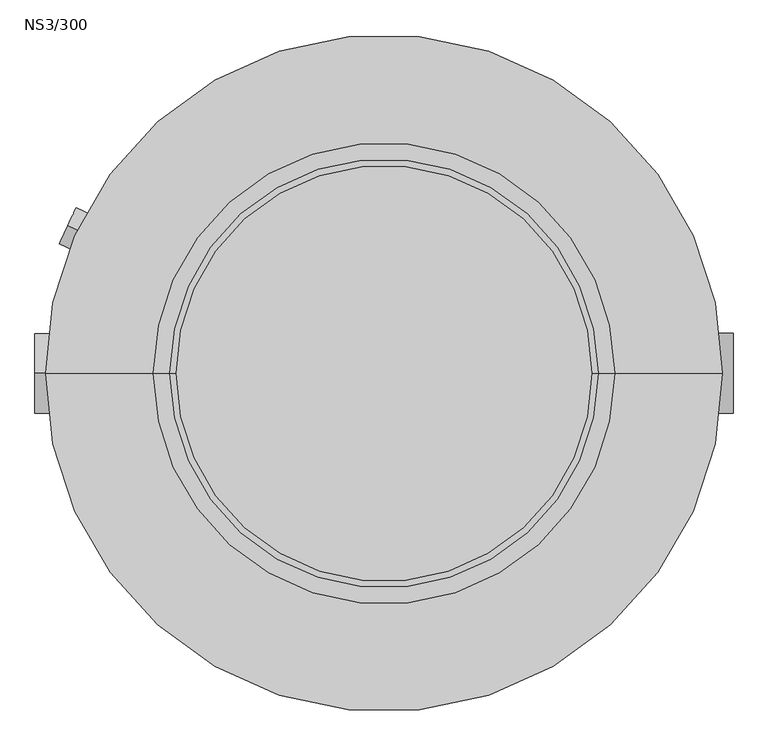
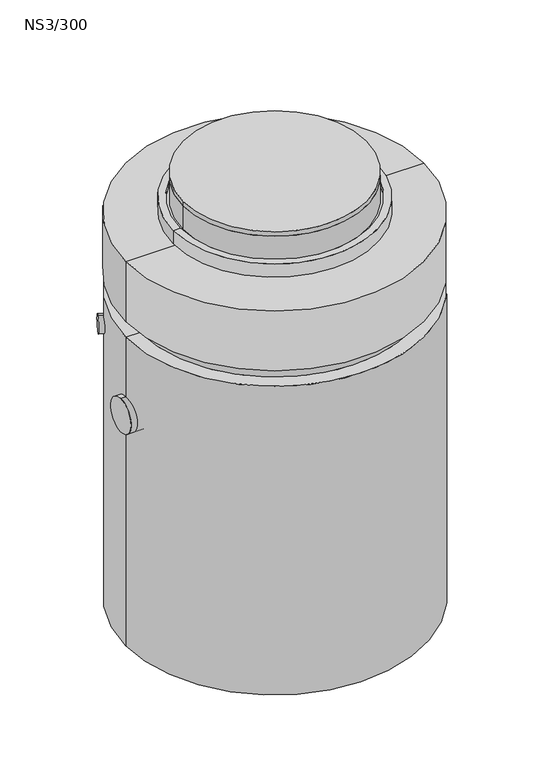
"""IFC4 building model written with IfcOpenShell, lengths in millimetres: proxy geometry, NS3/300."""

from ifc_helpers import new_model, si_unit, point, frame, frame_2d, origin, origin_2d, place, context, project, spatial, polyline, circle_curve, ellipse_curve, trimmed, segment, composite_curve, outline, extrude, source, transform, mapped, element, save
from ifc_brep_helpers import plane_surface, cylinder_surface, revolved_surface, advanced_brep


def ns3_300_38c39fd3(model_context):
    return source(origin(), model_context, "Body", "SolidModel", [
        advanced_brep(
        [(402.5, 0.0, -175.0), (-402.5, 0.0, -175.0), (-432.5, 0.0, -175.0), (432.5, 0.0, -175.0), (402.5, 0.0, -195.0), (-402.5, 0.0, -195.0), (312.5, 0.0, -195.0), (-312.5, 0.0, -195.0), (312.5, 0.0, -135.0), (-312.5, 0.0, -135.0), (402.5, 0.0, -135.0), (-402.5, 0.0, -135.0), (402.5, 0.0, -115.0), (-402.5, 0.0, -115.0), (432.5, 0.0, -115.0), (-432.5, 0.0, -115.0)],
        [
            (0, 1, circle_curve(frame((0.0, 0.0, -175.0), z_axis=(0.0, 0.0, 1.0), x_axis=(-1.0, 0.0, 0.0)), 402.5)),
            (1, 2),
            (2, 3, circle_curve(frame((0.0, 0.0, -175.0), z_axis=(0.0, 0.0, -1.0), x_axis=(-1.0, 0.0, 0.0)), 432.5)),
            (3, 0),
            (1, 0, circle_curve(frame((0.0, 0.0, -175.0), z_axis=(0.0, 0.0, 1.0), x_axis=(-1.0, 0.0, 0.0)), 402.5)),
            (3, 2, circle_curve(frame((0.0, 0.0, -175.0), z_axis=(0.0, 0.0, -1.0), x_axis=(-1.0, 0.0, 0.0)), 432.5)),
            (4, 5, circle_curve(frame((0.0, 0.0, -195.0), z_axis=(0.0, 0.0, 1.0), x_axis=(-1.0, 0.0, 0.0)), 402.5)),
            (5, 1),
            (0, 4),
            (5, 4, circle_curve(frame((0.0, 0.0, -195.0), z_axis=(0.0, 0.0, 1.0), x_axis=(-1.0, 0.0, 0.0)), 402.5)),
            (6, 7, circle_curve(frame((0.0, 0.0, -195.0), z_axis=(0.0, 0.0, 1.0), x_axis=(-1.0, 0.0, 0.0)), 312.5)),
            (7, 5),
            (4, 6),
            (7, 6, circle_curve(frame((0.0, 0.0, -195.0), z_axis=(0.0, 0.0, 1.0), x_axis=(-1.0, 0.0, 0.0)), 312.5)),
            (8, 9, circle_curve(frame((0.0, 0.0, -135.0), z_axis=(0.0, 0.0, 1.0), x_axis=(-1.0, 0.0, 0.0)), 312.5)),
            (9, 7),
            (6, 8),
            (9, 8, circle_curve(frame((0.0, 0.0, -135.0), z_axis=(0.0, 0.0, 1.0), x_axis=(-1.0, 0.0, 0.0)), 312.5)),
            (10, 11, circle_curve(frame((0.0, 0.0, -135.0), z_axis=(0.0, 0.0, 1.0), x_axis=(-1.0, 0.0, 0.0)), 402.5)),
            (11, 9),
            (8, 10),
            (11, 10, circle_curve(frame((0.0, 0.0, -135.0), z_axis=(0.0, 0.0, 1.0), x_axis=(-1.0, 0.0, 0.0)), 402.5)),
            (12, 13, circle_curve(frame((0.0, 0.0, -115.0), z_axis=(0.0, 0.0, 1.0), x_axis=(-1.0, 0.0, 0.0)), 402.5)),
            (13, 11),
            (10, 12),
            (13, 12, circle_curve(frame((0.0, 0.0, -115.0), z_axis=(0.0, 0.0, 1.0), x_axis=(-1.0, 0.0, 0.0)), 402.5)),
            (14, 15, circle_curve(frame((0.0, 0.0, -115.0), z_axis=(0.0, 0.0, 1.0), x_axis=(-1.0, 0.0, 0.0)), 432.5)),
            (15, 13),
            (12, 14),
            (15, 14, circle_curve(frame((0.0, 0.0, -115.0), z_axis=(0.0, 0.0, 1.0), x_axis=(-1.0, 0.0, 0.0)), 432.5)),
            (2, 15),
            (14, 3),
        ],
        [
            plane_surface(frame((0.0, 0.0, -175.0), z_axis=(0.0, 0.0, -1.0), x_axis=(-1.0, 0.0, 0.0))),
            cylinder_surface(frame((0.0, 0.0, -115.0), z_axis=(0.0, 0.0, -1.0), x_axis=(-1.0, 0.0, 0.0)), 402.5),
            plane_surface(frame((0.0, 0.0, -195.0), z_axis=(0.0, 0.0, -1.0), x_axis=(-1.0, 0.0, 0.0))),
            revolved_surface(polyline([(-312.5, 0.0, -195.0), (-312.5, 0.0, -135.0)]), (0.0, 0.0, -115.0), (0.0, 0.0, -1.0)),
            plane_surface(frame((0.0, 0.0, -135.0), z_axis=(0.0, 0.0, 1.0), x_axis=(-1.0, 0.0, 0.0))),
            revolved_surface(polyline([(-402.5, 0.0, -135.0), (-402.5, 0.0, -115.0)]), (0.0, 0.0, -115.0), (0.0, 0.0, -1.0)),
            plane_surface(frame((0.0, 0.0, -115.0), z_axis=(0.0, 0.0, 1.0), x_axis=(-1.0, 0.0, 0.0))),
            cylinder_surface(frame((0.0, 0.0, -115.0), z_axis=(0.0, 0.0, -1.0), x_axis=(-1.0, 0.0, 0.0)), 432.5),
        ],
        [
            (0, [[1, 2, 3, 4]]),
            (0, [[5, -4, 6, -2]]),
            (1, [[7, 8, -1, 9]]),
            (1, [[10, -9, -5, -8]]),
            (2, [[11, 12, -7, 13]]),
            (2, [[14, -13, -10, -12]]),
            (3, [[15, 16, -11, 17]]),
            (3, [[18, -17, -14, -16]]),
            (4, [[19, 20, -15, 21]]),
            (4, [[22, -21, -18, -20]]),
            (5, [[23, 24, -19, 25]]),
            (5, [[26, -25, -22, -24]]),
            (6, [[27, 28, -23, 29]]),
            (6, [[30, -29, -26, -28]]),
            (7, [[-3, 31, -27, 32]]),
            (7, [[-6, -32, -30, -31]]),
        ],
    ),
        extrude(outline(composite_curve([segment(trimmed(circle_curve(origin_2d(), 390.0), [point((-390.0, 0.0))], [point((390.0, 0.0))], False, "CARTESIAN"), True, "CONTINUOUS"), segment(trimmed(circle_curve(origin_2d(), 390.0), [point((390.0, 0.0))], [point((-390.0, 0.0))], False, "CARTESIAN"), True, "CONTINUOUS")], self_intersect=False)), frame((0.0, 0.0, -20.0), z_axis=(0.0, 0.0, 1.0), x_axis=(1.0, 0.0, 0.0)), (0.0, 0.0, 1.0), 20.0),
        extrude(outline(composite_curve([segment(trimmed(circle_curve(origin_2d(), 390.0), [point((-390.0, 0.0))], [point((390.0, 0.0))], False, "CARTESIAN"), True, "CONTINUOUS"), segment(trimmed(circle_curve(origin_2d(), 390.0), [point((390.0, 0.0))], [point((-390.0, 0.0))], False, "CARTESIAN"), True, "CONTINUOUS")], self_intersect=False)), frame((0.0, 0.0, -125.0), z_axis=(0.0, 0.0, 1.0), x_axis=(1.0, 0.0, 0.0)), (0.0, 0.0, 1.0), 105.0),
        advanced_brep(
        [(635.0, 0.0, -185.0), (-635.0, 0.0, -185.0), (0.0, 0.0, -185.0), (635.0, 0.0, -455.0), (-635.0, 0.0, -455.0), (575.0, 0.0, -455.0), (-575.0, 0.0, -455.0), (575.0, 0.0, -375.0), (-575.0, 0.0, -375.0), (0.0, 0.0, -375.0)],
        [
            (0, 1, circle_curve(frame((0.0, 0.0, -185.0), z_axis=(0.0, 0.0, 1.0), x_axis=(-1.0, 0.0, 0.0)), 635.0)),
            (1, 2),
            (2, 0),
            (1, 0, circle_curve(frame((0.0, 0.0, -185.0), z_axis=(0.0, 0.0, 1.0), x_axis=(-1.0, 0.0, 0.0)), 635.0)),
            (3, 4, circle_curve(frame((0.0, 0.0, -455.0), z_axis=(0.0, 0.0, 1.0), x_axis=(-1.0, 0.0, 0.0)), 635.0)),
            (4, 1),
            (0, 3),
            (4, 3, circle_curve(frame((0.0, 0.0, -455.0), z_axis=(0.0, 0.0, 1.0), x_axis=(-1.0, 0.0, 0.0)), 635.0)),
            (5, 6, circle_curve(frame((0.0, 0.0, -455.0), z_axis=(0.0, 0.0, 1.0), x_axis=(-1.0, 0.0, 0.0)), 575.0)),
            (6, 4),
            (3, 5),
            (6, 5, circle_curve(frame((0.0, 0.0, -455.0), z_axis=(0.0, 0.0, 1.0), x_axis=(-1.0, 0.0, 0.0)), 575.0)),
            (7, 8, circle_curve(frame((0.0, 0.0, -375.0), z_axis=(0.0, 0.0, 1.0), x_axis=(-1.0, 0.0, 0.0)), 575.0)),
            (8, 6),
            (5, 7),
            (8, 7, circle_curve(frame((0.0, 0.0, -375.0), z_axis=(0.0, 0.0, 1.0), x_axis=(-1.0, 0.0, 0.0)), 575.0)),
            (9, 8),
            (7, 9),
        ],
        [
            plane_surface(frame((0.0, 0.0, -185.0), z_axis=(0.0, 0.0, 1.0), x_axis=(-1.0, 0.0, 0.0))),
            cylinder_surface(frame((0.0, 0.0, -170.0), z_axis=(0.0, 0.0, -1.0), x_axis=(-1.0, 0.0, 0.0)), 635.0),
            plane_surface(frame((0.0, 0.0, -455.0), z_axis=(0.0, 0.0, -1.0), x_axis=(-1.0, 0.0, 0.0))),
            revolved_surface(polyline([(-575.0, 0.0, -455.0), (-575.0, 0.0, -375.0)]), (0.0, 0.0, -170.0), (0.0, 0.0, -1.0)),
            plane_surface(frame((0.0, 0.0, -375.0), z_axis=(0.0, 0.0, -1.0), x_axis=(-1.0, 0.0, 0.0))),
        ],
        [
            (0, [[1, 2, 3]]),
            (0, [[4, -3, -2]]),
            (1, [[5, 6, -1, 7]]),
            (1, [[8, -7, -4, -6]]),
            (2, [[9, 10, -5, 11]]),
            (2, [[12, -11, -8, -10]]),
            (3, [[13, 14, -9, 15]]),
            (3, [[16, -15, -12, -14]]),
            (4, [[17, -13, 18]]),
            (4, [[-18, -16, -17]]),
        ],
    ),
        extrude(outline(composite_curve([segment(trimmed(circle_curve(origin_2d(), 495.0), [point((-495.0, 0.0))], [point((330.9917809, 368.0617353))], False, "CARTESIAN"), True, "CONTINUOUS"), segment(polyline([(330.9917809, 368.0617353), (330.9917809, -97.3110528), (330.9917809, -368.0617353)]), True, "CONTINUOUS"), segment(trimmed(circle_curve(origin_2d(), 495.0), [point((330.9917809, -368.0617353))], [point((-495.0, 0.0))], False, "CARTESIAN"), True, "CONTINUOUS")], self_intersect=False), holes=[composite_curve([segment(trimmed(circle_curve(origin_2d(), 325.0), [point((306.8434606, 107.107846))], [point((-325.0, 0.0))], True, "CARTESIAN"), True, "CONTINUOUS"), segment(trimmed(circle_curve(origin_2d(), 325.0), [point((-325.0, 0.0))], [point((306.8434606, 107.107846))], True, "CARTESIAN"), True, "CONTINUOUS")], self_intersect=False)]), frame((0.0, 0.0, -1295.0), z_axis=(0.0, 0.0, 1.0), x_axis=(1.0, 0.0, 0.0)), (0.0, 0.0, 1.0), 505.0),
        extrude(outline(composite_curve([segment(trimmed(circle_curve(origin_2d(), 495.0), [point((-495.0, 0.0))], [point((495.0, 0.0))], False, "CARTESIAN"), True, "CONTINUOUS"), segment(trimmed(circle_curve(origin_2d(), 495.0), [point((495.0, 0.0))], [point((-495.0, 0.0))], False, "CARTESIAN"), True, "CONTINUOUS")], self_intersect=False), holes=[composite_curve([segment(trimmed(circle_curve(origin_2d(), 493.0), [point((-493.0, 0.0))], [point((493.0, 0.0))], True, "CARTESIAN"), True, "CONTINUOUS"), segment(trimmed(circle_curve(origin_2d(), 493.0), [point((493.0, 0.0))], [point((-493.0, 0.0))], True, "CARTESIAN"), True, "CONTINUOUS")], self_intersect=False)]), frame((0.0, 0.0, -1770.0), z_axis=(0.0, 0.0, 1.0), x_axis=(1.0, 0.0, 0.0)), (0.0, 0.0, 1.0), 1325.0),
        extrude(outline(composite_curve([segment(trimmed(circle_curve(frame_2d((0.0, -37.5)), 37.5), [point((0.0, -75.0))], [point((0.0, 0.0))], False, "CARTESIAN"), True, "CONTINUOUS"), segment(trimmed(circle_curve(frame_2d((0.0, -37.5)), 37.5), [point((0.0, 0.0))], [point((0.0, -75.0))], False, "CARTESIAN"), True, "CONTINUOUS")], self_intersect=False)), frame((-394.2438874, 183.8389439, -610.4626011), z_axis=(-0.9063077870366502, 0.422618261740699, 0.0), x_axis=(-0.422618261740699, -0.9063077870366502, 0.0)), (0.0, 0.0, 1.0), 220.0),
        advanced_brep(
        [(0.0, 75.0, -1295.0), (0.0, -75.0, -1295.0), (0.0, 75.0, -1415.0), (0.0, -75.0, -1415.0), (375.0, 75.0, -1415.0), (375.0, -75.0, -1415.0), (375.0, 75.0, -890.0), (375.0, -75.0, -890.0), (655.0, 75.0, -890.0), (655.0, -75.0, -890.0)],
        [
            (0, 1, circle_curve(frame((0.0, 0.0, -1295.0), z_axis=(0.0, 0.0, 1.0), x_axis=(0.0, -1.0, 0.0)), 75.0)),
            (1, 0, circle_curve(frame((0.0, 0.0, -1295.0), z_axis=(0.0, 0.0, 1.0), x_axis=(0.0, -1.0, 0.0)), 75.0)),
            (0, 2),
            (2, 3, ellipse_curve(frame((0.0, 0.0, -1415.0), z_axis=(-0.7071067811865475, 0.0, 0.7071067811865475), x_axis=(0.7071067811865474, 0.0, 0.7071067811865476)), 106.0660172, 75.0)),
            (3, 1),
            (3, 2, ellipse_curve(frame((0.0, 0.0, -1415.0), z_axis=(-0.7071067811865475, 0.0, 0.7071067811865475), x_axis=(0.7071067811865474, 0.0, 0.7071067811865476)), 106.0660172, 75.0)),
            (2, 4),
            (4, 5, ellipse_curve(frame((375.0, 0.0, -1415.0), z_axis=(-0.7071067811865475, 0.0, -0.7071067811865475), x_axis=(-0.7071067811865476, 0.0, 0.7071067811865474)), 106.0660172, 75.0)),
            (5, 3),
            (5, 4, ellipse_curve(frame((375.0, 0.0, -1415.0), z_axis=(-0.7071067811865475, 0.0, -0.7071067811865475), x_axis=(-0.7071067811865476, 0.0, 0.7071067811865474)), 106.0660172, 75.0)),
            (4, 6),
            (6, 7, ellipse_curve(frame((375.0, 0.0, -890.0), z_axis=(-0.7071067811865475, 0.0, -0.7071067811865475), x_axis=(0.7071067811865474, 0.0, -0.7071067811865476)), 106.0660172, 75.0)),
            (7, 5),
            (7, 6, ellipse_curve(frame((375.0, 0.0, -890.0), z_axis=(-0.7071067811865475, 0.0, -0.7071067811865475), x_axis=(0.7071067811865474, 0.0, -0.7071067811865476)), 106.0660172, 75.0)),
            (8, 9, circle_curve(frame((655.0, 0.0, -890.0), z_axis=(1.0, 0.0, 0.0), x_axis=(0.0, -1.0, 0.0)), 75.0)),
            (9, 8, circle_curve(frame((655.0, 0.0, -890.0), z_axis=(1.0, 0.0, 0.0), x_axis=(0.0, -1.0, 0.0)), 75.0)),
            (6, 8),
            (9, 7),
        ],
        [
            plane_surface(frame((0.0, 0.0, -1295.0), z_axis=(0.0, 0.0, 1.0), x_axis=(0.0, -1.0, 0.0))),
            cylinder_surface(frame((0.0, 0.0, -1295.0), z_axis=(0.0, 0.0, 1.0), x_axis=(0.0, -1.0, 0.0)), 75.0),
            cylinder_surface(frame((0.0, 0.0, -1415.0), z_axis=(-1.0, 0.0, 0.0), x_axis=(0.0, -1.0, 0.0)), 75.0),
            cylinder_surface(frame((375.0, 0.0, -1415.0), z_axis=(0.0, 0.0, -1.0), x_axis=(0.0, -1.0, 0.0)), 75.0),
            plane_surface(frame((655.0, 0.0, -890.0), z_axis=(1.0, 0.0, 0.0), x_axis=(0.0, -1.0, 0.0))),
            cylinder_surface(frame((375.0, 0.0, -890.0), z_axis=(-1.0, 0.0, 0.0), x_axis=(0.0, -1.0, 0.0)), 75.0),
        ],
        [
            (0, [[1, 2]]),
            (1, [[-1, 3, 4, 5]]),
            (1, [[-2, -5, 6, -3]]),
            (2, [[-4, 7, 8, 9]]),
            (2, [[-6, -9, 10, -7]]),
            (3, [[-8, 11, 12, 13]]),
            (3, [[-10, -13, 14, -11]]),
            (4, [[15, 16]]),
            (5, [[-12, 17, -16, 18]]),
            (5, [[-14, -18, -15, -17]]),
        ],
    ),
        extrude(outline(composite_curve([segment(trimmed(circle_curve(frame_2d((0.0, -870.0)), 75.0), [point((0.0, -945.0))], [point((0.0, -795.0))], False, "CARTESIAN"), True, "CONTINUOUS"), segment(trimmed(circle_curve(frame_2d((0.0, -870.0)), 75.0), [point((0.0, -795.0))], [point((0.0, -945.0))], False, "CARTESIAN"), True, "CONTINUOUS")], self_intersect=False)), frame((-655.0, 0.0, 0.0), z_axis=(1.0, 0.0, 0.0), x_axis=(0.0, 1.0, 0.0)), (0.0, 0.0, 1.0), 200.0),
        advanced_brep(
        [(0.0, 0.0, -645.6945759), (185.0, 0.0, -645.6945759), (-185.0, 0.0, -645.6945759), (-185.0, 0.0, -1295.0), (185.0, 0.0, -1295.0), (0.0, 0.0, -1295.0)],
        [
            (0, 1),
            (1, 2, circle_curve(frame((0.0, 0.0, -645.6945759), z_axis=(0.0, 0.0, 1.0), x_axis=(1.0, 0.0, 0.0)), 185.0)),
            (2, 0),
            (2, 1, circle_curve(frame((0.0, 0.0, -645.6945759), z_axis=(0.0, 0.0, 1.0), x_axis=(1.0, 0.0, 0.0)), 185.0)),
            (3, 4, circle_curve(frame((0.0, 0.0, -1295.0), z_axis=(0.0, 0.0, -1.0), x_axis=(1.0, 0.0, 0.0)), 185.0)),
            (4, 5),
            (5, 3),
            (4, 3, circle_curve(frame((0.0, 0.0, -1295.0), z_axis=(0.0, 0.0, -1.0), x_axis=(1.0, 0.0, 0.0)), 185.0)),
            (1, 4),
            (3, 2),
        ],
        [
            plane_surface(frame((0.0, 0.0, -645.6945759), z_axis=(0.0, 0.0, 1.0), x_axis=(1.0, 0.0, 0.0))),
            plane_surface(frame((0.0, 0.0, -1295.0), z_axis=(0.0, 0.0, -1.0), x_axis=(1.0, 0.0, 0.0))),
            cylinder_surface(frame((0.0, 0.0, -665.0), z_axis=(0.0, 0.0, 1.0), x_axis=(1.0, 0.0, 0.0)), 185.0),
        ],
        [
            (0, [[1, 2, 3]]),
            (0, [[-3, 4, -1]]),
            (1, [[5, 6, 7]]),
            (1, [[8, -7, -6]]),
            (2, [[-2, 9, -5, 10]]),
            (2, [[-4, -10, -8, -9]]),
        ],
    ),
        advanced_brep(
        [(0.0, 0.0, -1770.0), (495.0, 0.0, -1770.0), (-495.0, 0.0, -1770.0), (-635.0, 0.0, -1915.0), (635.0, 0.0, -1915.0), (0.0, 0.0, -1915.0), (-635.0, 0.0, -525.0), (635.0, 0.0, -525.0), (495.0, 0.0, -445.0), (-495.0, 0.0, -445.0), (-575.0, 0.0, -525.0), (575.0, 0.0, -525.0), (-575.0, 0.0, -445.0), (575.0, 0.0, -445.0)],
        [
            (0, 1),
            (1, 2, circle_curve(frame((0.0, 0.0, -1770.0), z_axis=(0.0, 0.0, 1.0), x_axis=(1.0, 0.0, 0.0)), 495.0)),
            (2, 0),
            (2, 1, circle_curve(frame((0.0, 0.0, -1770.0), z_axis=(0.0, 0.0, 1.0), x_axis=(1.0, 0.0, 0.0)), 495.0)),
            (3, 4, circle_curve(frame((0.0, 0.0, -1915.0), z_axis=(0.0, 0.0, -1.0), x_axis=(1.0, 0.0, 0.0)), 635.0)),
            (4, 5),
            (5, 3),
            (4, 3, circle_curve(frame((0.0, 0.0, -1915.0), z_axis=(0.0, 0.0, -1.0), x_axis=(1.0, 0.0, 0.0)), 635.0)),
            (6, 7, circle_curve(frame((0.0, 0.0, -525.0), z_axis=(0.0, 0.0, -1.0), x_axis=(1.0, 0.0, 0.0)), 635.0)),
            (7, 4),
            (3, 6),
            (7, 6, circle_curve(frame((0.0, 0.0, -525.0), z_axis=(0.0, 0.0, -1.0), x_axis=(1.0, 0.0, 0.0)), 635.0)),
            (1, 8),
            (8, 9, circle_curve(frame((0.0, 0.0, -445.0), z_axis=(0.0, 0.0, 1.0), x_axis=(1.0, 0.0, 0.0)), 495.0)),
            (9, 2),
            (9, 8, circle_curve(frame((0.0, 0.0, -445.0), z_axis=(0.0, 0.0, 1.0), x_axis=(1.0, 0.0, 0.0)), 495.0)),
            (10, 11, circle_curve(frame((0.0, 0.0, -525.0), z_axis=(0.0, 0.0, -1.0), x_axis=(1.0, 0.0, 0.0)), 575.0)),
            (11, 7),
            (6, 10),
            (11, 10, circle_curve(frame((0.0, 0.0, -525.0), z_axis=(0.0, 0.0, -1.0), x_axis=(1.0, 0.0, 0.0)), 575.0)),
            (12, 13, circle_curve(frame((0.0, 0.0, -445.0), z_axis=(0.0, 0.0, -1.0), x_axis=(1.0, 0.0, 0.0)), 575.0)),
            (13, 11),
            (10, 12),
            (13, 12, circle_curve(frame((0.0, 0.0, -445.0), z_axis=(0.0, 0.0, -1.0), x_axis=(1.0, 0.0, 0.0)), 575.0)),
            (8, 13),
            (12, 9),
        ],
        [
            plane_surface(frame((0.0, 0.0, -1770.0), z_axis=(0.0, 0.0, 1.0), x_axis=(1.0, 0.0, 0.0))),
            plane_surface(frame((0.0, 0.0, -1915.0), z_axis=(0.0, 0.0, -1.0), x_axis=(1.0, 0.0, 0.0))),
            cylinder_surface(frame((0.0, 0.0, -445.0), z_axis=(0.0, 0.0, 1.0), x_axis=(1.0, 0.0, 0.0)), 635.0),
            revolved_surface(polyline([(495.0, 0.0, -445.0), (495.0, 0.0, -1770.0)]), (0.0, 0.0, -445.0), (0.0, 0.0, 1.0)),
            plane_surface(frame((0.0, 0.0, -525.0), z_axis=(0.0, 0.0, 1.0), x_axis=(1.0, 0.0, 0.0))),
            cylinder_surface(frame((0.0, 0.0, -445.0), z_axis=(0.0, 0.0, 1.0), x_axis=(1.0, 0.0, 0.0)), 575.0),
            plane_surface(frame((0.0, 0.0, -445.0), z_axis=(0.0, 0.0, 1.0), x_axis=(1.0, 0.0, 0.0))),
        ],
        [
            (0, [[1, 2, 3]]),
            (0, [[-3, 4, -1]]),
            (1, [[5, 6, 7]]),
            (1, [[8, -7, -6]]),
            (2, [[9, 10, -5, 11]]),
            (2, [[12, -11, -8, -10]]),
            (3, [[-2, 13, 14, 15]]),
            (3, [[-4, -15, 16, -13]]),
            (4, [[17, 18, -9, 19]]),
            (4, [[20, -19, -12, -18]]),
            (5, [[21, 22, -17, 23]]),
            (5, [[24, -23, -20, -22]]),
            (6, [[-14, 25, -21, 26]]),
            (6, [[-16, -26, -24, -25]]),
        ],
    ),
    ])


if __name__ == "__main__":
    model = new_model("IFC4")
    model_context = context("Model", 3, world=origin())
    ifc_project = project(units=[si_unit("LENGTHUNIT", "METRE", prefix="MILLI")], contexts=[model_context])
    site = spatial("IfcSite", under=ifc_project)
    building = spatial("IfcBuilding", under=site)
    placement = place(None, origin())
    ns3_300_shape = ns3_300_38c39fd3(model_context)
    element("IfcBuildingElementProxy", 1, Name="NS3/300", ObjectType="NS3/300", at=placement, inside=building, context=model_context, shape_type="MappedRepresentation", body=[
        mapped(ns3_300_shape, transform((0.0, 0.0, 0.0), x_axis=(1.0, 0.0, 0.0), y_axis=(0.0, 1.0, 0.0), z_axis=(0.0, 0.0, 1.0))),
    ])
    save(model, "model.ifc")
